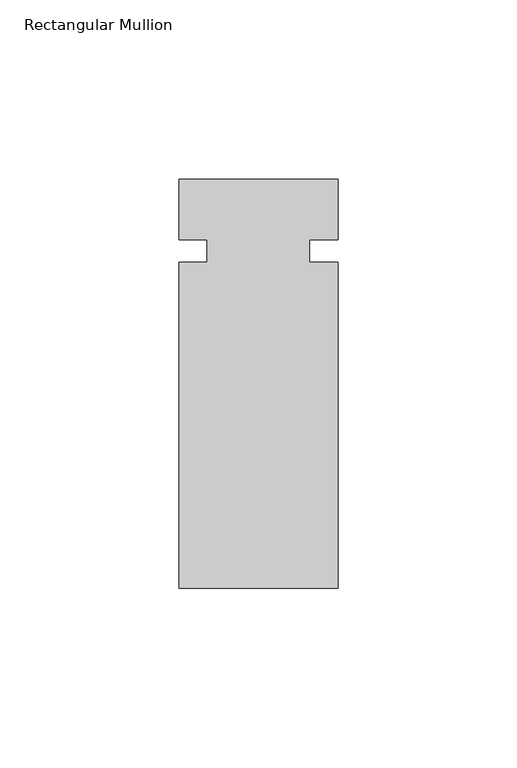
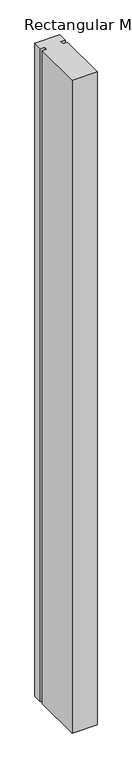
"""IFC4 building model written with IfcOpenShell, lengths in millimetres: member geometry, Rectangular Mullion."""

import ifcopenshell
import ifcopenshell.guid

model = None  # the IFC model being written
_history = None  # IfcOwnerHistory: only IFC2X3 demands one
_inside = {}  # id of a spatial element -> (the spatial element, [elements in it])
_under = {}  # id of a project, library or spatial element -> (it, [spatial elements below it])
_declared = {}  # id of a project -> (the project, [libraries it declares])
_typed = {}  # id of a type object -> (the type object, [elements of that type])
_made_of = {}  # id of a material, layer set ... -> (it, [elements and type objects made of it])


def new_model(schema):
    """Start an empty IFC model of exactly this schema.

    Asked for "IFC4X3", IfcOpenShell would pick the latest addendum, in which some entities
    have other attributes; the version numbers below select the first issue.
    IFC2X3 requires an IfcOwnerHistory on every rooted entity: one is made here for all.
    """
    global model, _history
    if schema == "IFC4X3":
        model = ifcopenshell.file(schema_version=(4, 3, 0, 0))
    else:
        model = ifcopenshell.file(schema=schema)
    _inside.clear()
    _under.clear()
    _declared.clear()
    _typed.clear()
    _made_of.clear()
    _history = None
    if model.schema == "IFC2X3":
        org = make("IfcOrganization", Name="unknown")
        user = make(
            "IfcPersonAndOrganization",
            ThePerson=make("IfcPerson", FamilyName="unknown"),
            TheOrganization=org,
        )
        app = make(
            "IfcApplication",
            ApplicationDeveloper=org,
            Version="unknown",
            ApplicationFullName="unknown",
            ApplicationIdentifier="unknown",
        )
        _history = make(
            "IfcOwnerHistory",
            OwningUser=user,
            OwningApplication=app,
            ChangeAction="ADDED",
            CreationDate=0,
        )
    return model


def make(cls, **values):
    """One entity of the class cls with the attributes given. An attribute that is None is left unset."""
    return model.create_entity(
        cls, **{name: value for name, value in values.items() if value is not None}
    )


def rooted(cls, **values):
    """An entity with a GlobalId (a new one), such as an element, a storey or a relation."""
    return make(cls, GlobalId=ifcopenshell.guid.new(), OwnerHistory=_history, **values)


def si_unit(unit_type, name, prefix=None):
    """IfcSIUnit, for example si_unit("LENGTHUNIT", "METRE", prefix="MILLI")."""
    return make("IfcSIUnit", UnitType=unit_type, Prefix=prefix, Name=name)


def assignment(units):
    """IfcUnitAssignment: the units of a project."""
    return None if units is None else make("IfcUnitAssignment", Units=units)


def point(xyz):
    """IfcCartesianPoint."""
    return None if xyz is None else make("IfcCartesianPoint", Coordinates=xyz)


def direction(xyz):
    """IfcDirection."""
    return None if xyz is None else make("IfcDirection", DirectionRatios=xyz)


def frame(location, z_axis=None, x_axis=None):
    """IfcAxis2Placement3D, a coordinate frame: its origin and axes. An axis left out is left unset."""
    return make(
        "IfcAxis2Placement3D",
        Location=point(location),
        Axis=direction(z_axis),
        RefDirection=direction(x_axis),
    )


def origin():
    """The frame at (0, 0, 0) with its axes left unset."""
    return frame((0.0, 0.0, 0.0))


def place(relative_to, where):
    """IfcLocalPlacement: puts the frame where relative to a parent placement (None: the world)."""
    return make(
        "IfcLocalPlacement", PlacementRelTo=relative_to, RelativePlacement=where
    )


def context(
    kind, dimensions, precision=None, world=None, true_north=None, identifier=None
):
    """IfcGeometricRepresentationContext, for example the 3D "Model" context."""
    return make(
        "IfcGeometricRepresentationContext",
        ContextIdentifier=identifier,
        ContextType=kind,
        CoordinateSpaceDimension=dimensions,
        Precision=precision,
        WorldCoordinateSystem=world,
        TrueNorth=true_north,
    )


def project(units=None, contexts=None):
    """IfcProject with its units and contexts."""
    return rooted(
        "IfcProject",
        Name="project",
        RepresentationContexts=contexts,
        UnitsInContext=assignment(units),
    )


def spatial(cls, under=None, at=None, **own):
    """A site, building, storey or space (cls), placed at a placement, below another one or the project."""
    s = rooted(cls, ObjectPlacement=at, **own)
    if under is not None:
        _under.setdefault(under.id(), (under, []))[1].append(s)
    return s


def polyline(points):
    """IfcPolyline through the points."""
    return make("IfcPolyline", Points=[point(p) for p in points])


def outline(outer, holes=None, kind="AREA"):
    """IfcArbitraryClosedProfileDef: a profile drawn as a closed curve; with holes, ...WithVoids."""
    if holes is None:
        return make("IfcArbitraryClosedProfileDef", ProfileType=kind, OuterCurve=outer)
    return make(
        "IfcArbitraryProfileDefWithVoids",
        ProfileType=kind,
        OuterCurve=outer,
        InnerCurves=holes,
    )


def extrude(swept, where, along, depth):
    """IfcExtrudedAreaSolid: the profile swept, set in the frame where, extruded along a direction by depth."""
    return make(
        "IfcExtrudedAreaSolid",
        SweptArea=swept,
        Position=where,
        ExtrudedDirection=direction(along),
        Depth=depth,
    )


def shape(context_of_items, identifier, shape_type, items):
    """IfcShapeRepresentation: the items that make up one representation, for example the "Body"."""
    return make(
        "IfcShapeRepresentation",
        ContextOfItems=context_of_items,
        RepresentationIdentifier=identifier,
        RepresentationType=shape_type,
        Items=items,
    )


def source(mapping_origin, context_of_items, identifier, shape_type, items):
    """IfcRepresentationMap: a shape defined once, which mapped items show again and again."""
    return make(
        "IfcRepresentationMap",
        MappingOrigin=mapping_origin,
        MappedRepresentation=shape(context_of_items, identifier, shape_type, items),
    )


def transform(
    local_origin,
    x_axis=None,
    y_axis=None,
    z_axis=None,
    scale=None,
    scale2=None,
    scale3=None,
    uniform=True,
):
    """IfcCartesianTransformationOperator3D, or its non-uniform kind. x_axis, y_axis, z_axis: its Axis1, 2, 3."""
    if uniform:
        return make(
            "IfcCartesianTransformationOperator3D",
            Axis1=direction(x_axis),
            Axis2=direction(y_axis),
            LocalOrigin=point(local_origin),
            Scale=scale,
            Axis3=direction(z_axis),
        )
    return make(
        "IfcCartesianTransformationOperator3DnonUniform",
        Axis1=direction(x_axis),
        Axis2=direction(y_axis),
        LocalOrigin=point(local_origin),
        Scale=scale,
        Axis3=direction(z_axis),
        Scale2=scale2,
        Scale3=scale3,
    )


def mapped(mapping_source, mapping_target):
    """IfcMappedItem: shows the shape of a source again, moved by a transform."""
    return make(
        "IfcMappedItem", MappingSource=mapping_source, MappingTarget=mapping_target
    )


def made_of(thing, what):
    """Note that an element or type object is made of a material, layer set ...; save() writes the relation."""
    if what is not None:
        _made_of.setdefault(what.id(), (what, []))[1].append(thing)
    return thing


def element(
    cls,
    number,
    at=None,
    inside=None,
    cuts=None,
    type_object=None,
    material=None,
    context=None,
    identifier="Body",
    shape_type=None,
    held_by="IfcProductDefinitionShape",
    body=None,
    shapes=None,
    **own,
):
    """One element of the class cls, such as IfcWall. Its Tag is "e" and its number.

    at: its placement. inside: the storey or other place that contains it. cuts: it is an
    opening in that element (IfcRelVoidsElement). A single representation is given by context,
    identifier, shape_type and body (its items); several are given by shapes. held_by: the class
    of the entity that holds the representations. save() writes the other relations.
    """
    e = rooted(cls, Tag="e%d" % number, ObjectPlacement=at, **own)
    if body is not None:
        shapes = [shape(context, identifier, shape_type, body)]
    if shapes is not None:
        e.Representation = make(held_by, Representations=shapes)
    if inside is not None:
        _inside.setdefault(inside.id(), (inside, []))[1].append(e)
    if cuts is not None:
        rooted(
            "IfcRelVoidsElement", RelatingBuildingElement=cuts, RelatedOpeningElement=e
        )
    if type_object is not None:
        _typed.setdefault(type_object.id(), (type_object, []))[1].append(e)
    return made_of(e, material)


def aggregate(whole, parts):
    """IfcRelAggregates: a whole, such as a stair, and the parts it consists of."""
    return rooted("IfcRelAggregates", RelatingObject=whole, RelatedObjects=parts)


def save(model, path):
    """Write the relations noted so far, then the file.

    IfcRelAggregates (storeys below a building ...), IfcRelContainedInSpatialStructure (elements
    in a storey), IfcRelDefinesByType, IfcRelAssociatesMaterial and IfcRelDeclares: one each for
    every whole, place, type object, material and project.
    """
    for whole, parts in _under.values():
        aggregate(whole, parts)
    for where, things in _inside.values():
        rooted(
            "IfcRelContainedInSpatialStructure",
            RelatedElements=things,
            RelatingStructure=where,
        )
    for kind, things in _typed.values():
        rooted("IfcRelDefinesByType", RelatedObjects=things, RelatingType=kind)
    for what, things in _made_of.values():
        rooted("IfcRelAssociatesMaterial", RelatedObjects=things, RelatingMaterial=what)
    for by, libraries in _declared.values():
        rooted("IfcRelDeclares", RelatingContext=by, RelatedDefinitions=libraries)
    model.write(path)


def rectangular_mullion_749ddff4(model_context):
    return source(origin(), model_context, "Body", "SweptSolid", [
        extrude(outline(polyline([(-22.2250604, -3.1555912), (-14.2875604, -3.1555912), (-14.2875604, 3.1944088), (-22.2250604, 3.1944088), (-22.2250604, 20.1488824), (22.2249797, 20.1488824), (22.2249797, 3.1944088), (14.2874797, 3.1944088), (14.2874797, -3.1555912), (22.2249797, -3.1555912), (22.2249797, -94.1511191), (-22.2250604, -94.1511191), (-22.2250604, -3.1555912)])), frame((0.0, 0.0, -1226.6174053), z_axis=(0.0, 0.0, 1.0), x_axis=(1.0, 0.0, 0.0)), (0.0, 0.0, 1.0), 1226.6174053),
    ])


if __name__ == "__main__":
    model = new_model("IFC4")
    model_context = context("Model", 3, world=origin())
    ifc_project = project(units=[si_unit("LENGTHUNIT", "METRE", prefix="MILLI")], contexts=[model_context])
    site = spatial("IfcSite", under=ifc_project)
    building = spatial("IfcBuilding", under=site)
    placement = place(None, origin())
    rectangular_mullion_shape = rectangular_mullion_749ddff4(model_context)
    element("IfcMember", 1, ObjectType="Rectangular Mullion", at=placement, inside=building, context=model_context, shape_type="MappedRepresentation", body=[
        mapped(rectangular_mullion_shape, transform((0.0, 0.0, 0.0), x_axis=(1.0, 0.0, 0.0), y_axis=(0.0, 1.0, 0.0), z_axis=(0.0, 0.0, 1.0))),
    ])
    save(model, "model.ifc")
